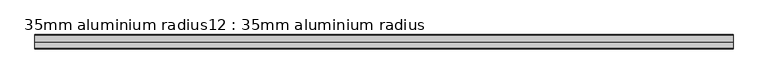
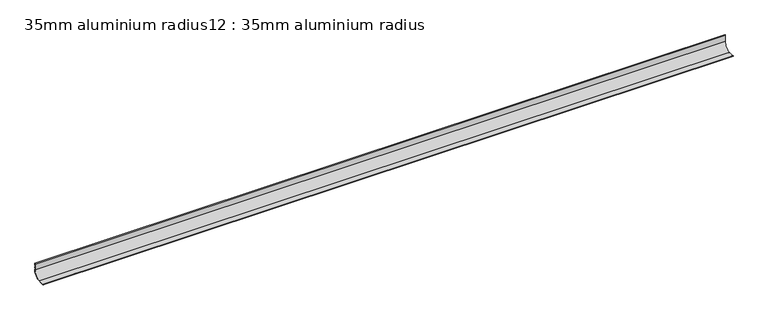
"""IFC4 building model written with IfcOpenShell, lengths in millimetres: proxy geometry, 35mm aluminium radius12 : 35mm aluminium radius."""

from ifc_helpers import new_model, si_unit, point, frame, frame_2d, origin, place, context, project, spatial, polyline, circle_curve, trimmed, segment, composite_curve, outline, extrude, source, transform, mapped, element, save


def proxy_35mm_aluminium_radius12_35mm_aluminium_radius_465178fc(model_context):
    return source(origin(), model_context, "Body", "SweptSolid", [
        extrude(outline(composite_curve([segment(trimmed(circle_curve(frame_2d((-9056.7333075, 12.7246863)), 3.9), [point((-9057.3538557, 16.5750006))], [point((-9060.1617767, 14.5836105))], True, "CARTESIAN"), True, "CONTINUOUS"), segment(trimmed(circle_curve(frame_2d((-9083.0288557, 25.675)), 25.415), [point((-9060.1617767, 14.5836105))], [point((-9071.9374662, 2.807921))], False, "CARTESIAN"), True, "CONTINUOUS"), segment(trimmed(circle_curve(frame_2d((-9070.078542, -0.6205482)), 3.9), [point((-9071.9374662, 2.807921))], [point((-9073.9288563, 0.0))], True, "CARTESIAN"), True, "CONTINUOUS"), segment(polyline([(-9073.9288563, 0.0), (-9085.1413557, 0.0), (-9085.9963557, 0.855), (-9090.1363557, 0.855), (-9090.9913557, 0.0), (-9093.4288557, 0.0), (-9094.2838557, 0.855), (-9098.4238557, 0.855), (-9099.2788557, 0.0), (-9106.1038557, 0.0)]), True, "CONTINUOUS"), segment(trimmed(circle_curve(frame_2d((-9104.8038557, 0.0)), 1.3), [point((-9106.1038557, 0.0))], [point((-9104.8038557, 1.3))], False, "CARTESIAN"), True, "CONTINUOUS"), segment(polyline([(-9104.8038557, 1.3), (-9083.0288557, 1.3)]), True, "CONTINUOUS"), segment(trimmed(circle_curve(frame_2d((-9083.0288557, 25.675)), 24.375), [point((-9083.0288557, 1.3))], [point((-9058.6538557, 25.675))], True, "CARTESIAN"), True, "CONTINUOUS"), segment(polyline([(-9058.6538557, 25.675), (-9058.6538557, 47.45)]), True, "CONTINUOUS"), segment(trimmed(circle_curve(frame_2d((-9057.3538557, 47.45)), 1.3), [point((-9058.6538557, 47.45))], [point((-9057.3538557, 48.75))], False, "CARTESIAN"), True, "CONTINUOUS"), segment(polyline([(-9057.3538557, 48.75), (-9057.3538557, 41.925), (-9058.2088557, 41.07), (-9058.2088557, 36.93), (-9057.3538557, 36.075), (-9057.3538557, 33.6375), (-9058.2088557, 32.7825), (-9058.2088557, 28.6425), (-9057.3538557, 27.7875), (-9057.3538557, 16.5750006)]), True, "CONTINUOUS")], self_intersect=False)), frame((9564.6309284, 0.0, 0.0), z_axis=(1.0, 0.0, 0.0), x_axis=(0.0, 1.0, 0.0)), (0.0, 0.0, 1.0), 2400.0),
    ])


if __name__ == "__main__":
    model = new_model("IFC4")
    model_context = context("Model", 3, world=origin())
    ifc_project = project(units=[si_unit("LENGTHUNIT", "METRE", prefix="MILLI")], contexts=[model_context])
    site = spatial("IfcSite", under=ifc_project)
    building = spatial("IfcBuilding", under=site)
    placement = place(None, origin())
    proxy_35mm_aluminium_radius12_35mm_aluminium_radius_shape = proxy_35mm_aluminium_radius12_35mm_aluminium_radius_465178fc(model_context)
    element("IfcBuildingElementProxy", 1, Name="35mm aluminium radius12 : 35mm aluminium radius", ObjectType="35mm aluminium radius12 : 35mm aluminium radius", at=placement, inside=building, context=model_context, shape_type="MappedRepresentation", body=[
        mapped(proxy_35mm_aluminium_radius12_35mm_aluminium_radius_shape, transform((0.0, 0.0, 0.0), x_axis=(1.0, 0.0, 0.0), y_axis=(0.0, 1.0, 0.0), z_axis=(0.0, 0.0, 1.0))),
    ])
    save(model, "model.ifc")
